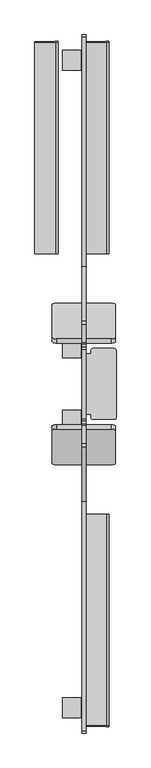
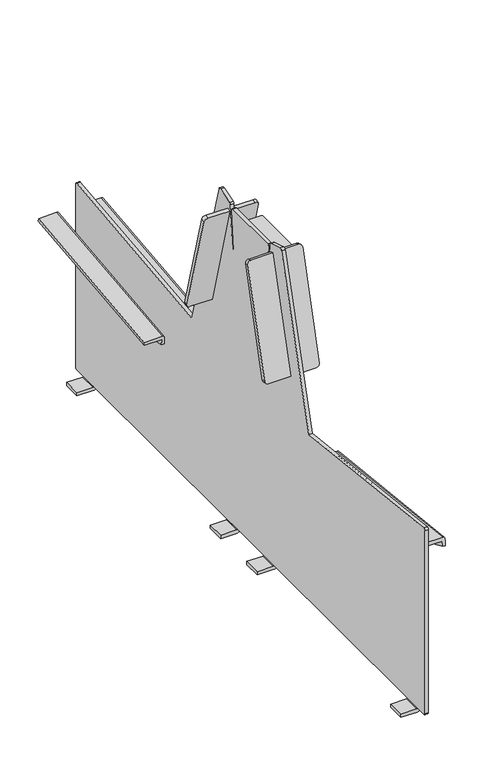
"""IFC4 building model written with IfcOpenShell, lengths in millimetres: furniture geometry."""

from ifc_helpers import new_model, si_unit, frame, origin, place, context, project, spatial, polyline, circle_curve, source, transform, mapped, element, save
from ifc_brep_helpers import plane_surface, cylinder_surface, revolved_surface, advanced_brep


def furniture_e859d871(model_context):
    return source(origin(), model_context, "Body", "AdvancedBrep", [
        advanced_brep(
        [(867.597952, -333.3438949, 454.8824491), (867.597952, -333.3438949, 13.9003186), (867.597952, -329.4374846, 9.9939083), (867.597952, -303.3438949, 9.9939083), (867.597952, -303.3438949, 8.2703475), (867.597952, -263.3438949, 8.2703475), (867.597952, -263.3438949, 9.9939083), (867.597952, 263.3438949, 9.9939083), (867.597952, 263.3438949, 8.2703475), (867.597952, 303.3438949, 8.2703475), (867.597952, 303.3438949, 9.9939083), (867.597952, 407.6111261, 9.9939083), (867.597952, 407.6111261, 8.2703475), (867.597952, 447.6111261, 8.2703475), (867.597952, 447.6111261, 9.9939083), (867.597952, 974.2989159, 9.9939083), (867.597952, 974.2989159, 8.2703475), (867.597952, 1014.2989159, 8.2703475), (867.597952, 1014.2989159, 9.9939083), (867.597952, 1040.3925056, 9.9939083), (867.597952, 1044.2989159, 13.9003186), (867.597952, 1044.2989159, 454.8824491), (867.597952, 1039.4826807, 459.1940384), (867.597952, 586.9512474, 409.002818), (867.597952, 478.9250607, 786.3524949), (867.597952, 472.6246428, 789.7481242), (867.597952, 436.6081723, 778.4752692), (867.597952, 433.7983215, 774.9551128), (867.597952, 425.5976684, 672.4633825), (867.597952, 421.2778004, 672.4633825), (867.597952, 428.3475476, 765.7728245), (867.597952, 424.3833987, 770.0454777), (867.597952, 286.9551141, 769.9426196), (867.597952, 282.9975324, 765.6679227), (867.597952, 290.1186906, 672.4633825), (867.597952, 285.3573526, 672.4633825), (867.597952, 277.1566995, 774.9551128), (867.597952, 274.3468487, 778.4752692), (867.597952, 238.3303782, 789.7481242), (867.597952, 232.0299603, 786.3524949), (867.597952, 124.0037736, 409.002818), (867.597952, -328.5276597, 459.1940384), (867.597952, -319.7193007, 405.3521172), (867.597952, -318.9102447, 412.772865), (867.597952, 98.750138, 367.236938), (867.597952, 97.941082, 359.8161902), (867.597952, 1029.8652657, 412.772865), (867.597952, 1030.6743217, 405.3521172), (867.597952, 613.013939, 359.8161902), (867.597952, 612.2048831, 367.236938), (867.597952, 274.7465362, 758.1308279), (867.597952, 204.7655965, 503.57452), (867.597952, 196.4909723, 505.8493251), (867.597952, 266.471912, 760.4056329), (867.597952, 506.1894245, 503.57452), (867.597952, 436.2084848, 758.1308279), (867.597952, 444.483109, 760.4056329), (867.597952, 514.4640487, 505.8493251), (867.597952, 295.4775105, 730.7455365), (867.597952, 415.4775105, 730.7455365), (867.597952, 415.4775105, 720.7455365), (867.597952, 295.4775105, 720.7455365), (859.6028254, -333.3438949, 454.8824491), (859.6028254, -328.5276597, 459.1940384), (859.6028254, 124.0037736, 409.002818), (859.6028254, 232.0299603, 786.3524949), (859.6028254, 238.3303782, 789.7481242), (859.6028254, 274.3468487, 778.4752692), (859.6028254, 277.1566995, 774.9551128), (859.6028254, 285.3573526, 672.4633825), (859.6028254, 290.1186906, 672.4633825), (859.6028254, 282.9975324, 765.6679227), (859.6028254, 286.9551141, 769.9426196), (859.6028254, 424.3833987, 770.0454777), (859.6028254, 428.3475476, 765.7728245), (859.6028254, 421.2778004, 672.4633825), (859.6028254, 425.5976684, 672.4633825), (859.6028254, 433.7983215, 774.9551128), (859.6028254, 436.6081723, 778.4752692), (859.6028254, 472.6246428, 789.7481242), (859.6028254, 478.9250607, 786.3524949), (859.6028254, 586.9512474, 409.002818), (859.6028254, 1039.4826807, 459.1940384), (859.6028254, 1044.2989159, 454.8824491), (859.6028254, 1044.2989159, 13.9003186), (859.6028254, 1040.3925056, 9.9939083), (859.6028254, 1014.2989159, 9.9939083), (859.6028254, 974.2989159, 9.9939083), (859.6028254, 447.6111261, 9.9939083), (859.6028254, 407.6111261, 9.9939083), (859.6028254, 303.3438949, 9.9939083), (859.6028254, 263.3438949, 9.9939083), (859.6028254, -263.3438949, 9.9939083), (859.6028254, -303.3438949, 9.9939083), (859.6028254, -329.4374846, 9.9939083), (859.6028254, -333.3438949, 13.9003186), (859.6028254, 204.7656711, 503.5744995), (859.6028254, 274.7466108, 758.1308073), (859.6028254, 266.471912, 760.4056329), (859.6028254, 196.491047, 505.8493045), (859.6028254, 436.2084102, 758.1308073), (859.6028254, 506.1893499, 503.5744995), (859.6028254, 514.4640204, 505.8494279), (859.6028254, 444.4830343, 760.4056124), (906.6365161, -319.7193007, 405.3521172), (907.5875968, -319.8223825, 404.4066392), (907.5875968, -321.0984876, 392.7020678), (913.5831908, -321.0984876, 392.7020678), (913.5831908, -319.8564605, 404.0940726), (913.5831908, -319.3437805, 408.7964286), (909.5831908, -318.9102447, 412.772865), (909.5831908, 98.750138, 367.236938), (913.5831908, 98.3166022, 363.2605016), (913.5831908, 97.8039221, 358.5581456), (913.5831908, 96.5595156, 347.1443157), (907.5875968, 96.5595156, 347.1443157), (907.5875968, 97.8380001, 358.8707122), (906.6365161, 97.941082, 359.8161902), (909.5831908, 1029.8652657, 412.772865), (913.5831908, 1030.2988015, 408.7964286), (913.5831908, 1030.8114815, 404.0940726), (913.5831908, 1032.0535086, 392.7020678), (907.5875968, 1032.0535086, 392.7020678), (907.5875968, 1030.7774035, 404.4066392), (906.6365161, 1030.6743217, 405.3521172), (906.6365161, 613.013939, 359.8161902), (907.5875968, 613.1170209, 358.8707122), (907.5875968, 614.3955054, 347.1443157), (913.5831908, 614.3955054, 347.1443157), (913.5831908, 613.1510989, 358.5581456), (913.5831908, 612.6384188, 363.2605016), (909.5831908, 612.2048831, 367.236938), (858.6003844, 1014.2989159, 8.0), (859.6350395, 1014.2989159, 9.0714168), (859.6603529, 1014.2989159, 0.0), (821.9566967, 1014.2989159, 0.0), (821.9566967, 1014.2989159, 8.0), (858.6003844, 974.2989159, 8.0), (821.9566967, 974.2989159, 8.0), (821.9566967, 974.2989159, 0.0), (859.6603529, 974.2989159, 0.0), (859.6350395, 974.2989159, 9.0714168), (858.6003844, 407.6111261, 8.0), (821.9566967, 407.6111261, 8.0), (821.9566967, 407.6111261, 0.0), (859.6603529, 407.6111261, 0.0), (859.6350395, 407.6111261, 9.0714168), (858.6003844, 447.6111261, 8.0), (859.6350395, 447.6111261, 9.0714168), (859.6603529, 447.6111261, 0.0), (821.9566967, 447.6111261, 0.0), (821.9566967, 447.6111261, 8.0), (858.6003844, 303.3438949, 8.0), (859.6350395, 303.3438949, 9.0714168), (859.6603529, 303.3438949, 0.0), (821.9566967, 303.3438949, 0.0), (821.9566967, 303.3438949, 8.0), (858.6003844, 263.3438949, 8.0), (821.9566967, 263.3438949, 8.0), (821.9566967, 263.3438949, 0.0), (859.6603529, 263.3438949, 0.0), (859.6350395, 263.3438949, 9.0714168), (858.6003844, -303.3438949, 8.0), (821.9566967, -303.3438949, 8.0), (821.9566967, -303.3438949, 0.0), (859.6603529, -303.3438949, 0.0), (859.6350395, -303.3438949, 9.0714168), (858.6003844, -263.3438949, 8.0), (859.6350395, -263.3438949, 9.0714168), (859.6603529, -263.3438949, 0.0), (821.9566967, -263.3438949, 0.0), (821.9566967, -263.3438949, 8.0), (917.9539457, 274.6803491, 758.1490236), (925.9539382, 272.5492033, 750.4381004), (925.9539382, 206.4783878, 510.1049054), (918.0226676, 204.6742237, 503.5014558), (918.0109696, 196.3996149, 505.7762566), (925.9422403, 198.2037791, 512.3797062), (925.9422403, 264.2745945, 752.7129012), (917.9422477, 266.4057403, 760.4238244), (918.0226676, 506.2807973, 503.5014558), (925.9539382, 504.4766332, 510.1049054), (925.9539382, 438.4058177, 750.4381004), (917.9539457, 436.2746719, 758.1490236), (917.9422477, 444.5492807, 760.4238244), (925.9422403, 446.6804265, 752.7129012), (925.9422403, 512.7512419, 512.3797062), (918.0109696, 514.5554061, 505.7762566), (927.5685154, 421.4776321, 730.7455365), (923.5685154, 425.4776321, 730.7455365), (881.5685154, 425.4776321, 730.7455365), (877.5685154, 421.4776321, 730.7455365), (877.5685154, 415.4775105, 730.7455365), (877.5685154, 295.4775105, 730.7455365), (877.5685154, 289.4776321, 730.7455365), (881.5685154, 285.4776321, 730.7455365), (923.5685154, 285.4776321, 730.7455365), (927.5685154, 289.4776321, 730.7455365), (927.5685154, 421.4776321, 720.7455365), (927.5685154, 289.4776321, 720.7455365), (923.5685154, 285.4776321, 720.7455365), (881.5685154, 285.4776321, 720.7455365), (877.5685154, 289.4776321, 720.7455365), (877.5685154, 295.4775105, 720.7455365), (877.5685154, 415.4775105, 720.7455365), (877.5685154, 421.4776321, 720.7455365), (881.5685154, 425.4776321, 720.7455365), (923.5685154, 425.4776321, 720.7455365), (809.1212977, 204.6742237, 503.5014558), (801.190027, 206.4783878, 510.1049054), (801.190027, 272.5492033, 750.4381004), (809.1900196, 274.6803491, 758.1490236), (809.2017175, 266.4057403, 760.4238244), (801.201725, 264.2745945, 752.7129012), (801.201725, 198.2037791, 512.3797062), (809.1329957, 196.3996149, 505.7762566), (809.1900196, 436.2746719, 758.1490236), (801.190027, 438.4058177, 750.4381004), (801.190027, 504.4766332, 510.1049054), (809.1212977, 506.2807973, 503.5014558), (809.1329957, 514.5554061, 505.7762566), (801.201725, 512.7512419, 512.3797062), (801.201725, 446.6804265, 752.7129012), (809.2017175, 444.5492807, 760.4238244)],
        [
            (0, 1),
            (1, 2, circle_curve(frame((867.597952, -329.4374846, 13.9003186), z_axis=(1.0, 0.0, 0.0), x_axis=(0.0, 1.0, 0.0)), 3.9064104)),
            (2, 3),
            (3, 4),
            (4, 5),
            (5, 6),
            (6, 7),
            (7, 8),
            (8, 9),
            (9, 10),
            (10, 11),
            (11, 12),
            (12, 13),
            (13, 14),
            (14, 15),
            (15, 16),
            (16, 17),
            (17, 18),
            (18, 19),
            (19, 20, circle_curve(frame((867.597952, 1040.3925056, 13.9003186), z_axis=(1.0, 0.0, 0.0), x_axis=(0.0, -1.0, 0.0)), 3.9064104)),
            (20, 21),
            (21, 22, circle_curve(frame((867.597952, 1039.9608882, 454.8824491), z_axis=(1.0, 0.0, 0.0), x_axis=(0.0, -1.0, 0.0)), 4.3380277)),
            (22, 23),
            (23, 24),
            (24, 25, circle_curve(frame((867.597952, 474.118155, 784.9763928), z_axis=(1.0, 0.0, 0.0), x_axis=(0.0, -1.0, 0.0)), 5.0)),
            (25, 26),
            (26, 27, circle_curve(frame((867.597952, 437.8104285, 774.6340928), z_axis=(1.0, 0.0, 0.0), x_axis=(0.0, -1.0, 0.0)), 4.0249293)),
            (27, 28),
            (28, 29),
            (29, 30),
            (30, 31, circle_curve(frame((867.597952, 424.3863719, 766.0729497), z_axis=(1.0, 0.0, 0.0), x_axis=(0.0, -1.0, 0.0)), 3.9725291)),
            (31, 32),
            (32, 33, circle_curve(frame((867.597952, 286.958087, 765.9705231), z_axis=(1.0, 0.0, 0.0), x_axis=(0.0, -1.0, 0.0)), 3.9720976)),
            (33, 34),
            (34, 35),
            (35, 36),
            (36, 37, circle_curve(frame((867.597952, 273.1445925, 774.6340928), z_axis=(1.0, 0.0, 0.0), x_axis=(0.0, 1.0, 0.0)), 4.0249293)),
            (37, 38),
            (38, 39, circle_curve(frame((867.597952, 236.836866, 784.9763928), z_axis=(1.0, 0.0, 0.0), x_axis=(0.0, 1.0, 0.0)), 5.0)),
            (39, 40),
            (40, 41),
            (41, 0, circle_curve(frame((867.597952, -329.0058672, 454.8824491), z_axis=(1.0, 0.0, 0.0), x_axis=(0.0, 1.0, 0.0)), 4.3380277)),
            (42, 43),
            (43, 44),
            (44, 45),
            (45, 42),
            (46, 47),
            (47, 48),
            (48, 49),
            (49, 46),
            (50, 51),
            (51, 52),
            (52, 53),
            (53, 50),
            (54, 55),
            (55, 56),
            (56, 57),
            (57, 54),
            (58, 59),
            (59, 60),
            (60, 61),
            (61, 58),
            (62, 63, circle_curve(frame((859.6028254, -329.0058672, 454.8824491), z_axis=(-1.0, 0.0, 0.0), x_axis=(0.0, 1.0, 0.0)), 4.3380277)),
            (63, 64),
            (64, 65),
            (65, 66, circle_curve(frame((859.6028254, 236.836866, 784.9763928), z_axis=(-1.0, 0.0, 0.0), x_axis=(0.0, 1.0, 0.0)), 5.0)),
            (66, 67),
            (67, 68, circle_curve(frame((859.6028254, 273.1445925, 774.6340928), z_axis=(-1.0, 0.0, 0.0), x_axis=(0.0, 1.0, 0.0)), 4.0249293)),
            (68, 69),
            (69, 70),
            (70, 71),
            (71, 72, circle_curve(frame((859.6028254, 286.958087, 765.9705231), z_axis=(-1.0, 0.0, 0.0), x_axis=(0.0, -1.0, 0.0)), 3.9720976)),
            (72, 73),
            (73, 74, circle_curve(frame((859.6028254, 424.3863719, 766.0729497), z_axis=(-1.0, 0.0, 0.0), x_axis=(0.0, -1.0, 0.0)), 3.9725291)),
            (74, 75),
            (75, 76),
            (76, 77),
            (77, 78, circle_curve(frame((859.6028254, 437.8104285, 774.6340928), z_axis=(-1.0, 0.0, 0.0), x_axis=(0.0, -1.0, 0.0)), 4.0249293)),
            (78, 79),
            (79, 80, circle_curve(frame((859.6028254, 474.118155, 784.9763928), z_axis=(-1.0, 0.0, 0.0), x_axis=(0.0, -1.0, 0.0)), 5.0)),
            (80, 81),
            (81, 82),
            (82, 83, circle_curve(frame((859.6028254, 1039.9608882, 454.8824491), z_axis=(-1.0, 0.0, 0.0), x_axis=(0.0, -1.0, 0.0)), 4.3380277)),
            (83, 84),
            (84, 85, circle_curve(frame((859.6028254, 1040.3925056, 13.9003186), z_axis=(-1.0, 0.0, 0.0), x_axis=(0.0, -1.0, 0.0)), 3.9064104)),
            (85, 86),
            (86, 87),
            (87, 88),
            (88, 89),
            (89, 90),
            (90, 91),
            (91, 92),
            (92, 93),
            (93, 94),
            (94, 95, circle_curve(frame((859.6028254, -329.4374846, 13.9003186), z_axis=(-1.0, 0.0, 0.0), x_axis=(0.0, 1.0, 0.0)), 3.9064104)),
            (95, 62),
            (96, 97),
            (97, 98),
            (98, 99),
            (99, 96),
            (100, 101),
            (101, 102),
            (102, 103),
            (103, 100),
            (0, 62),
            (95, 1),
            (94, 2),
            (93, 3),
            (85, 19),
            (18, 86),
            (87, 15),
            (14, 88),
            (89, 11),
            (10, 90),
            (91, 7),
            (6, 92),
            (68, 36),
            (35, 69),
            (67, 37),
            (66, 38),
            (65, 39),
            (64, 40),
            (63, 41),
            (34, 70),
            (28, 76),
            (75, 29),
            (20, 84),
            (83, 21),
            (27, 77),
            (26, 78),
            (25, 79),
            (24, 80),
            (23, 81),
            (22, 82),
            (74, 30),
            (73, 31),
            (72, 32),
            (71, 33),
            (42, 104),
            (104, 105, circle_curve(frame((906.6365161, -319.8223825, 404.4066392), z_axis=(0.0, 0.9941091089617909, -0.10838394474826071), x_axis=(0.0, -0.10838394474826071, -0.9941091089617909)), 0.9510807)),
            (105, 106),
            (106, 107),
            (107, 108),
            (108, 109),
            (109, 110, circle_curve(frame((909.5831908, -319.3437805, 408.7964286), z_axis=(0.0, -0.9941091089617909, 0.10838394474826071), x_axis=(0.0, -0.10838394474826071, -0.9941091089617909)), 4.0)),
            (110, 43),
            (44, 111),
            (111, 112, circle_curve(frame((909.5831908, 98.3166022, 363.2605016), z_axis=(0.0, 0.9941091089617909, -0.10838394474826071), x_axis=(0.0, -0.10838394474826071, -0.9941091089617909)), 4.0)),
            (112, 113),
            (113, 114),
            (114, 115),
            (115, 116),
            (116, 117, circle_curve(frame((906.6365161, 97.8380001, 358.8707122), z_axis=(0.0, -0.9941091089617909, 0.10838394474826071), x_axis=(0.0, -0.10838394474826071, -0.9941091089617909)), 0.9510807)),
            (117, 45),
            (117, 104),
            (116, 105),
            (115, 106, circle_curve(frame((907.5875968, -59.7670647, 851.2475639), z_axis=(-1.0, 0.0, 0.0), x_axis=(0.0, -1.0, 0.0)), 527.7860216)),
            (113, 108),
            (107, 114, circle_curve(frame((913.5831908, -59.7670647, 851.2475639), z_axis=(1.0, 0.0, 0.0), x_axis=(0.0, -1.0, 0.0)), 527.7860216)),
            (112, 109),
            (111, 110),
            (46, 118),
            (118, 119, circle_curve(frame((909.5831908, 1030.2988015, 408.7964286), z_axis=(0.0, 0.9941091089617909, 0.10838394474826071), x_axis=(0.0, 0.10838394474826071, -0.9941091089617909)), 4.0)),
            (119, 120),
            (120, 121),
            (121, 122),
            (122, 123),
            (123, 124, circle_curve(frame((906.6365161, 1030.7774035, 404.4066392), z_axis=(0.0, -0.9941091089617909, -0.10838394474826071), x_axis=(0.0, 0.10838394474826071, -0.9941091089617909)), 0.9510807)),
            (124, 47),
            (48, 125),
            (125, 126, circle_curve(frame((906.6365161, 613.1170209, 358.8707122), z_axis=(0.0, 0.9941091089617909, 0.10838394474826071), x_axis=(0.0, 0.10838394474826071, -0.9941091089617909)), 0.9510807)),
            (126, 127),
            (127, 128),
            (128, 129),
            (129, 130),
            (130, 131, circle_curve(frame((909.5831908, 612.6384188, 363.2605016), z_axis=(0.0, -0.9941091089617909, -0.10838394474826071), x_axis=(0.0, 0.10838394474826071, -0.9941091089617909)), 4.0)),
            (131, 49),
            (124, 125),
            (123, 126),
            (122, 127, circle_curve(frame((907.5875968, 770.7220857, 851.2475639), z_axis=(-1.0, 0.0, 0.0), x_axis=(0.0, 1.0, 0.0)), 527.7860216)),
            (120, 129),
            (128, 121, circle_curve(frame((913.5831908, 770.7220857, 851.2475639), z_axis=(1.0, 0.0, 0.0), x_axis=(0.0, 1.0, 0.0)), 527.7860216)),
            (119, 130),
            (118, 131),
            (132, 133, circle_curve(frame((858.6003844, 1014.2989159, 9.0352858), z_axis=(0.0, -1.0, 0.0), x_axis=(-1.0, 0.0, 0.0)), 1.0352858)),
            (133, 86),
            (17, 134, circle_curve(frame((859.32063, 1014.2989159, 8.2703475), z_axis=(0.0, 1.0, 0.0), x_axis=(-1.0, 0.0, 0.0)), 8.277322)),
            (134, 135),
            (135, 136),
            (136, 132),
            (137, 138),
            (138, 139),
            (139, 140),
            (140, 16, circle_curve(frame((859.32063, 974.2989159, 8.2703475), z_axis=(0.0, -1.0, 0.0), x_axis=(-1.0, 0.0, 0.0)), 8.277322)),
            (87, 141),
            (141, 137, circle_curve(frame((858.6003844, 974.2989159, 9.0352858), z_axis=(0.0, 1.0, 0.0), x_axis=(-1.0, 0.0, 0.0)), 1.0352858)),
            (132, 137),
            (141, 133),
            (134, 140),
            (139, 135),
            (138, 136),
            (142, 143),
            (143, 144),
            (144, 145),
            (145, 12, circle_curve(frame((859.32063, 407.6111261, 8.2703475), z_axis=(0.0, -1.0, 0.0), x_axis=(-1.0, 0.0, 0.0)), 8.277322)),
            (89, 146),
            (146, 142, circle_curve(frame((858.6003844, 407.6111261, 9.0352858), z_axis=(0.0, 1.0, 0.0), x_axis=(-1.0, 0.0, 0.0)), 1.0352858)),
            (147, 148, circle_curve(frame((858.6003844, 447.6111261, 9.0352858), z_axis=(0.0, -1.0, 0.0), x_axis=(-1.0, 0.0, 0.0)), 1.0352858)),
            (148, 88),
            (13, 149, circle_curve(frame((859.32063, 447.6111261, 8.2703475), z_axis=(0.0, 1.0, 0.0), x_axis=(-1.0, 0.0, 0.0)), 8.277322)),
            (149, 150),
            (150, 151),
            (151, 147),
            (146, 148),
            (147, 142),
            (144, 150),
            (149, 145),
            (143, 151),
            (152, 153, circle_curve(frame((858.6003844, 303.3438949, 9.0352858), z_axis=(0.0, -1.0, 0.0), x_axis=(-1.0, 0.0, 0.0)), 1.0352858)),
            (153, 90),
            (9, 154, circle_curve(frame((859.32063, 303.3438949, 8.2703475), z_axis=(0.0, 1.0, 0.0), x_axis=(-1.0, 0.0, 0.0)), 8.277322)),
            (154, 155),
            (155, 156),
            (156, 152),
            (157, 158),
            (158, 159),
            (159, 160),
            (160, 8, circle_curve(frame((859.32063, 263.3438949, 8.2703475), z_axis=(0.0, -1.0, 0.0), x_axis=(-1.0, 0.0, 0.0)), 8.277322)),
            (91, 161),
            (161, 157, circle_curve(frame((858.6003844, 263.3438949, 9.0352858), z_axis=(0.0, 1.0, 0.0), x_axis=(-1.0, 0.0, 0.0)), 1.0352858)),
            (152, 157),
            (161, 153),
            (154, 160),
            (159, 155),
            (158, 156),
            (162, 163),
            (163, 164),
            (164, 165),
            (165, 4, circle_curve(frame((859.32063, -303.3438949, 8.2703475), z_axis=(0.0, -1.0, 0.0), x_axis=(-1.0, 0.0, 0.0)), 8.277322)),
            (93, 166),
            (166, 162, circle_curve(frame((858.6003844, -303.3438949, 9.0352858), z_axis=(0.0, 1.0, 0.0), x_axis=(-1.0, 0.0, 0.0)), 1.0352858)),
            (167, 168, circle_curve(frame((858.6003844, -263.3438949, 9.0352858), z_axis=(0.0, -1.0, 0.0), x_axis=(-1.0, 0.0, 0.0)), 1.0352858)),
            (168, 92),
            (5, 169, circle_curve(frame((859.32063, -263.3438949, 8.2703475), z_axis=(0.0, 1.0, 0.0), x_axis=(-1.0, 0.0, 0.0)), 8.277322)),
            (169, 170),
            (170, 171),
            (171, 167),
            (166, 168),
            (167, 162),
            (164, 170),
            (169, 165),
            (163, 171),
            (50, 172),
            (172, 173, circle_curve(frame((917.9539457, 272.5597183, 750.4352097), z_axis=(0.0013631459484884346, 0.9642258427672697, -0.2650786033856215), x_axis=(-0.9999990709161299, 0.001314381772166968, -0.0003613411599522734)), 8.0)),
            (173, 174),
            (174, 175, circle_curve(frame((918.0376908, 206.794831, 511.2152616), z_axis=(0.0013631459484884437, 0.9642258427672697, -0.2650786033856214), x_axis=(0.1443145567522505, 0.26211427827888556, 0.9541852093968657)), 8.0)),
            (175, 51),
            (52, 176),
            (176, 177, circle_curve(frame((918.0259929, 198.5202222, 513.4900624), z_axis=(-0.0013631459484884437, -0.9642258427672697, 0.2650786033856214), x_axis=(0.1443145567522505, 0.26211427827888556, 0.9541852093968657)), 8.0)),
            (177, 178),
            (178, 179, circle_curve(frame((917.9422477, 264.2851095, 752.7100105), z_axis=(-0.0013631459484884346, -0.9642258427672697, 0.2650786033856215), x_axis=(-0.9999990709161299, 0.001314381772166968, -0.0003613411599522734)), 8.0)),
            (179, 53),
            (174, 177),
            (176, 175),
            (173, 178),
            (172, 179),
            (54, 180),
            (180, 181, circle_curve(frame((918.0376908, 504.16019, 511.2152616), z_axis=(0.0013631459484884437, -0.9642258427672697, -0.2650786033856214), x_axis=(0.1443145567522505, -0.26211427827888556, 0.9541852093968657)), 8.0)),
            (181, 182),
            (182, 183, circle_curve(frame((917.9539457, 438.3953027, 750.4352097), z_axis=(0.0013631459484884346, -0.9642258427672697, -0.2650786033856215), x_axis=(-0.9999990709161299, -0.001314381772166968, -0.0003613411599522734)), 8.0)),
            (183, 55),
            (56, 184),
            (184, 185, circle_curve(frame((917.9422477, 446.6699115, 752.7100105), z_axis=(-0.0013631459484884346, 0.9642258427672697, 0.2650786033856215), x_axis=(-0.9999990709161299, -0.001314381772166968, -0.0003613411599522734)), 8.0)),
            (185, 186),
            (186, 187, circle_curve(frame((918.0259929, 512.4347988, 513.4900624), z_axis=(-0.0013631459484884437, 0.9642258427672697, 0.2650786033856214), x_axis=(0.1443145567522505, -0.26211427827888556, 0.9541852093968657)), 8.0)),
            (187, 57),
            (180, 187),
            (186, 181),
            (185, 182),
            (184, 183),
            (188, 189, circle_curve(frame((923.5685154, 421.4776321, 730.7455365), z_axis=(0.0, 0.0, 1.0), x_axis=(1.0, 0.0, 0.0)), 4.0)),
            (189, 190),
            (190, 191, circle_curve(frame((881.5685154, 421.4776321, 730.7455365), z_axis=(0.0, 0.0, 1.0), x_axis=(1.0, 0.0, 0.0)), 4.0)),
            (191, 192),
            (192, 59),
            (58, 193),
            (193, 194),
            (194, 195, circle_curve(frame((881.5685154, 289.4776321, 730.7455365), z_axis=(0.0, 0.0, 1.0), x_axis=(1.0, 0.0, 0.0)), 4.0)),
            (195, 196),
            (196, 197, circle_curve(frame((923.5685154, 289.4776321, 730.7455365), z_axis=(0.0, 0.0, 1.0), x_axis=(1.0, 0.0, 0.0)), 4.0)),
            (197, 188),
            (198, 199),
            (199, 200, circle_curve(frame((923.5685154, 289.4776321, 720.7455365), z_axis=(0.0, 0.0, -1.0), x_axis=(1.0, 0.0, 0.0)), 4.0)),
            (200, 201),
            (201, 202, circle_curve(frame((881.5685154, 289.4776321, 720.7455365), z_axis=(0.0, 0.0, -1.0), x_axis=(1.0, 0.0, 0.0)), 4.0)),
            (202, 203),
            (203, 61),
            (60, 204),
            (204, 205),
            (205, 206, circle_curve(frame((881.5685154, 421.4776321, 720.7455365), z_axis=(0.0, 0.0, -1.0), x_axis=(1.0, 0.0, 0.0)), 4.0)),
            (206, 207),
            (207, 198, circle_curve(frame((923.5685154, 421.4776321, 720.7455365), z_axis=(0.0, 0.0, -1.0), x_axis=(1.0, 0.0, 0.0)), 4.0)),
            (188, 198),
            (207, 189),
            (206, 190),
            (205, 191),
            (204, 192),
            (203, 193),
            (202, 194),
            (201, 195),
            (200, 196),
            (199, 197),
            (96, 208),
            (208, 209, circle_curve(frame((809.1062744, 206.794831, 511.2152616), z_axis=(-0.0013631459484884367, 0.9642258427672697, -0.26507860338562145), x_axis=(-0.14431455675225052, 0.2621142782788856, 0.9541852093968657)), 8.0)),
            (209, 210),
            (210, 211, circle_curve(frame((809.1900196, 272.5597183, 750.4352097), z_axis=(-0.0013631459484884296, 0.9642258427672696, -0.2650786033856215), x_axis=(0.9999990709161299, 0.0013143817721669488, -0.0003613411599523246)), 8.0)),
            (211, 97),
            (98, 212),
            (212, 213, circle_curve(frame((809.2017175, 264.2851095, 752.7100105), z_axis=(0.0013631459484884296, -0.9642258427672696, 0.2650786033856215), x_axis=(0.9999990709161299, 0.0013143817721669488, -0.0003613411599523246)), 8.0)),
            (213, 214),
            (214, 215, circle_curve(frame((809.1179724, 198.5202222, 513.4900624), z_axis=(0.0013631459484884367, -0.9642258427672697, 0.26507860338562145), x_axis=(-0.14431455675225052, 0.2621142782788856, 0.9541852093968657)), 8.0)),
            (215, 99),
            (208, 215),
            (214, 209),
            (213, 210),
            (212, 211),
            (100, 216),
            (216, 217, circle_curve(frame((809.1900196, 438.3953027, 750.4352097), z_axis=(-0.0013631459484884296, -0.9642258427672696, -0.2650786033856215), x_axis=(0.9999990709161299, -0.0013143817721669488, -0.0003613411599523246)), 8.0)),
            (217, 218),
            (218, 219, circle_curve(frame((809.1062744, 504.16019, 511.2152616), z_axis=(-0.0013631459484884367, -0.9642258427672697, -0.26507860338562145), x_axis=(-0.14431455675225052, -0.2621142782788856, 0.9541852093968657)), 8.0)),
            (219, 101),
            (102, 220),
            (220, 221, circle_curve(frame((809.1179724, 512.4347988, 513.4900624), z_axis=(0.0013631459484884367, 0.9642258427672697, 0.26507860338562145), x_axis=(-0.14431455675225052, -0.2621142782788856, 0.9541852093968657)), 8.0)),
            (221, 222),
            (222, 223, circle_curve(frame((809.2017175, 446.6699115, 752.7100105), z_axis=(0.0013631459484884296, 0.9642258427672696, 0.2650786033856215), x_axis=(0.9999990709161299, -0.0013143817721669488, -0.0003613411599523246)), 8.0)),
            (223, 103),
            (218, 221),
            (220, 219),
            (217, 222),
            (216, 223),
        ],
        [
            plane_surface(frame((867.597952, -333.3438949, 13.9914716), z_axis=(1.0, 0.0, 0.0), x_axis=(0.0, 0.0, -1.0))),
            plane_surface(frame((859.6028254, -333.3438949, 13.9914716), z_axis=(-1.0, 0.0, 0.0), x_axis=(0.0, 0.0, 1.0))),
            plane_surface(frame((867.597952, -333.3438949, 454.8824491), z_axis=(0.0, -1.0, 0.0), x_axis=(-1.0, 0.0, 0.0))),
            cylinder_surface(frame((859.6028254, -329.4374846, 13.9003186), z_axis=(1.0, 0.0, 0.0), x_axis=(0.0, 1.0, 0.0)), 3.9064104),
            plane_surface(frame((867.597952, -329.4374846, 9.9939083), z_axis=(0.0, 0.0, -1.0), x_axis=(-1.0, 0.0, 0.0))),
            plane_surface(frame((867.597952, 337.9730339, 14.8728063), z_axis=(0.0, 0.9968142620318139, 0.07975792756817575), x_axis=(-1.0, 0.0, 0.0))),
            cylinder_surface(frame((859.6028254, 273.1445925, 774.6340928), z_axis=(1.0, 0.0, 0.0), x_axis=(0.0, 1.0, 0.0)), 4.0249293),
            plane_surface(frame((867.597952, 274.3468487, 778.4752692), z_axis=(0.0, 0.2987024356250177, 0.9543462971855039), x_axis=(-1.0, 0.0, 0.0))),
            cylinder_surface(frame((859.6028254, 236.836866, 784.9763928), z_axis=(1.0, 0.0, 0.0), x_axis=(0.0, 1.0, 0.0)), 5.0),
            plane_surface(frame((867.597952, 232.0299603, 786.3524949), z_axis=(0.0, -0.9613811502291254, 0.275220427992044), x_axis=(-1.0, 0.0, 0.0))),
            plane_surface(frame((867.597952, 124.0037736, 409.002818), z_axis=(0.0, 0.1102361569197732, 0.9939054229188807), x_axis=(-1.0, 0.0, 0.0))),
            cylinder_surface(frame((859.6028254, -329.0058672, 454.8824491), z_axis=(1.0, 0.0, 0.0), x_axis=(0.0, 1.0, 0.0)), 4.3380277),
            plane_surface(frame((867.597952, 445.569695, 672.4633825), z_axis=(0.0, 0.0, 1.0), x_axis=(-1.0, 0.0, 0.0))),
            plane_surface(frame((867.597952, 1044.2989159, 13.9003186), z_axis=(0.0, 1.0, 0.0), x_axis=(-1.0, 0.0, 0.0))),
            cylinder_surface(frame((859.6028254, 1040.3925056, 13.9003186), z_axis=(1.0, 0.0, 0.0), x_axis=(0.0, -1.0, 0.0)), 3.9064104),
            plane_surface(frame((867.597952, 433.7983215, 774.9551128), z_axis=(0.0, -0.9968142620318139, 0.07975792756817576), x_axis=(-1.0, 0.0, 0.0))),
            cylinder_surface(frame((859.6028254, 437.8104285, 774.6340928), z_axis=(1.0, 0.0, 0.0), x_axis=(0.0, -1.0, 0.0)), 4.0249293),
            plane_surface(frame((867.597952, 472.6246428, 789.7481242), z_axis=(0.0, -0.2987024356250177, 0.9543462971855039), x_axis=(-1.0, 0.0, 0.0))),
            cylinder_surface(frame((859.6028254, 474.118155, 784.9763928), z_axis=(1.0, 0.0, 0.0), x_axis=(0.0, -1.0, 0.0)), 5.0),
            plane_surface(frame((867.597952, 586.9512474, 409.002818), z_axis=(0.0, 0.9613811502291253, 0.2752204279920443), x_axis=(-1.0, 0.0, 0.0))),
            plane_surface(frame((867.597952, 1039.4826807, 459.1940384), z_axis=(0.0, -0.1102361569197732, 0.9939054229188807), x_axis=(-1.0, 0.0, 0.0))),
            cylinder_surface(frame((859.6028254, 1039.9608882, 454.8824491), z_axis=(1.0, 0.0, 0.0), x_axis=(0.0, -1.0, 0.0)), 4.3380277),
            plane_surface(frame((859.6028254, 428.3475476, 765.7728245), z_axis=(0.0, 0.9971420037159096, -0.0755501451052288), x_axis=(1.0, 0.0, 0.0))),
            cylinder_surface(frame((867.597952, 424.3863719, 766.0729497), z_axis=(-1.0, 0.0, 0.0), x_axis=(0.0, -1.0, 0.0)), 3.9725291),
            plane_surface(frame((859.6028254, 286.9551141, 769.9426196), z_axis=(0.0, -0.0007484487791834683, 0.9999997199121733), x_axis=(1.0, 0.0, 0.0))),
            cylinder_surface(frame((867.597952, 286.958087, 765.9705231), z_axis=(-1.0, 0.0, 0.0), x_axis=(0.0, -1.0, 0.0)), 3.9720976),
            plane_surface(frame((859.6028254, 340.4296348, 13.9738082), z_axis=(0.0, -0.9970939652359041, -0.07618152328578025), x_axis=(1.0, 0.0, 0.0))),
            plane_surface(frame((867.597952, -319.8423819, 404.223203), z_axis=(0.0, -0.9941091089617909, 0.10838394474826071), x_axis=(0.0, -0.10838394474826071, -0.9941091089617909))),
            plane_surface(frame((867.597952, 97.8180007, 358.6872759), z_axis=(0.0, 0.9941091089617909, -0.10838394474826071), x_axis=(0.0, 0.10838394474826071, 0.9941091089617909))),
            plane_surface(frame((867.597952, -319.7193007, 405.3521172), z_axis=(0.0, -0.10838394474826069, -0.994109108961791), x_axis=(0.0, 0.994109108961791, -0.10838394474826069))),
            revolved_surface(polyline([(906.6365161, 97.73491824228601, 357.9252342105562), (906.6365161, -319.92546445485533, 403.46116123677587)]), (906.6365161, 97.8380001, 358.8707122), (0.0, 0.9941091089617909, -0.10838394474826071)),
            plane_surface(frame((907.5875968, -319.8223825, 404.4066392), z_axis=(-1.0000000000000002, 0.0, 0.0), x_axis=(0.0, 0.994109108961791, -0.10838394474826064))),
            plane_surface(frame((913.5831908, -320.2027771, 400.9176199), z_axis=(1.0000000000000002, 0.0, 0.0), x_axis=(0.0, 0.994109108961791, -0.10838394474826066))),
            plane_surface(frame((913.5831908, -319.8564605, 404.0940726), z_axis=(1.0000000000000002, 0.0, 0.0), x_axis=(0.0, 0.994109108961791, -0.10838394474826066))),
            cylinder_surface(frame((909.5831908, 98.3166022, 363.2605016), z_axis=(0.0, -0.9941091089617909, 0.10838394474826071), x_axis=(0.0, -0.10838394474826071, -0.9941091089617909)), 4.0),
            plane_surface(frame((909.5831908, -318.9102447, 412.772865), z_axis=(0.0, 0.10838394474826066, 0.994109108961791), x_axis=(0.0, 0.994109108961791, -0.10838394474826066))),
            cylinder_surface(frame((907.5875968, -59.7670647, 851.2475639), z_axis=(1.0, 0.0, 0.0), x_axis=(0.0, -1.0, 0.0)), 527.7860216),
            plane_surface(frame((913.5831908, 1029.8652657, 412.772865), z_axis=(0.0, 0.9941091089617909, 0.10838394474826071), x_axis=(1.0, 0.0, 0.0))),
            plane_surface(frame((913.5831908, 612.2048831, 367.236938), z_axis=(0.0, -0.9941091089617909, -0.10838394474826071), x_axis=(-1.0, 0.0, 0.0))),
            plane_surface(frame((906.6365161, 1030.6743217, 405.3521172), z_axis=(0.0, 0.10838394474826069, -0.994109108961791), x_axis=(0.0, -0.994109108961791, -0.10838394474826069))),
            revolved_surface(polyline([(906.6365161, 613.220102757714, 357.9252342105562), (906.6365161, 1030.8804854548553, 403.46116123677587)]), (906.6365161, 613.1170209, 358.8707122), (0.0, -0.9941091089617909, -0.10838394474826071)),
            plane_surface(frame((907.5875968, 1031.1577981, 400.9176199), z_axis=(-1.0000000000000002, 0.0, 0.0), x_axis=(0.0, -0.994109108961791, -0.10838394474826069))),
            plane_surface(frame((913.5831908, 1030.8114815, 404.0940726), z_axis=(1.0000000000000002, 0.0, 0.0), x_axis=(0.0, -0.994109108961791, -0.10838394474826069))),
            plane_surface(frame((913.5831908, 1030.2988015, 408.7964286), z_axis=(1.0000000000000002, 0.0, 0.0), x_axis=(0.0, -0.994109108961791, -0.10838394474826069))),
            cylinder_surface(frame((909.5831908, 612.6384188, 363.2605016), z_axis=(0.0, 0.9941091089617909, 0.10838394474826071), x_axis=(0.0, 0.10838394474826071, -0.9941091089617909)), 4.0),
            plane_surface(frame((867.597952, 1029.8652657, 412.772865), z_axis=(0.0, -0.10838394474826069, 0.994109108961791), x_axis=(0.0, -0.994109108961791, -0.10838394474826069))),
            cylinder_surface(frame((907.5875968, 770.7220857, 851.2475639), z_axis=(1.0, 0.0, 0.0), x_axis=(0.0, 1.0, 0.0)), 527.7860216),
            plane_surface(frame((857.5650985, 1014.2989159, 9.0352858), z_axis=(0.0, 1.0, 0.0), x_axis=(0.0, 0.0, -1.0))),
            plane_surface(frame((857.5650985, 974.2989159, 9.0352858), z_axis=(0.0, -1.0, 0.0), x_axis=(0.0, 0.0, 1.0))),
            revolved_surface(polyline([(857.5650986, 974.2989159, 9.0352858), (857.5650986, 1014.2989159, 9.0352858)]), (858.6003844, 974.2989159, 9.0352858), (0.0, -1.0, 0.0)),
            plane_surface(frame((859.6350395, 1014.2989159, 9.0714168), z_axis=(-0.9993908270190954, 0.0, -0.03489949670251134), x_axis=(0.0, -1.0, 0.0))),
            plane_surface(frame((859.6603529, 1014.2989159, 0.0), z_axis=(0.0, 0.0, -1.0), x_axis=(0.0, -1.0, 0.0))),
            plane_surface(frame((821.9566967, 1014.2989159, 0.0), z_axis=(-1.0, 0.0, 0.0), x_axis=(0.0, -1.0, 0.0))),
            plane_surface(frame((821.9566967, 1014.2989159, 8.0), z_axis=(0.0, 0.0, 1.0), x_axis=(0.0, -1.0, 0.0))),
            cylinder_surface(frame((859.32063, 974.2989159, 8.2703475), z_axis=(0.0, 1.0, 0.0), x_axis=(-1.0, 0.0, 0.0)), 8.277322),
            plane_surface(frame((821.9566967, 407.6111261, 8.0), z_axis=(0.0, -1.0, 0.0), x_axis=(-1.0, 0.0, 0.0))),
            plane_surface(frame((821.9566967, 447.6111261, 8.0), z_axis=(0.0, 1.0, 0.0), x_axis=(1.0, 0.0, 0.0))),
            revolved_surface(polyline([(857.5650986, 447.6111261, 9.0352858), (857.5650986, 407.6111261, 9.0352858)]), (858.6003844, 447.6111261, 9.0352858), (0.0, 1.0, 0.0)),
            plane_surface(frame((859.6028254, 407.6111261, 9.9939083), z_axis=(-0.9993908270190954, 0.0, -0.03489949670251134), x_axis=(0.0, 1.0, 0.0))),
            plane_surface(frame((821.9566967, 407.6111261, 0.0), z_axis=(0.0, 0.0, -1.0), x_axis=(0.0, 1.0, 0.0))),
            plane_surface(frame((821.9566967, 407.6111261, 8.0), z_axis=(-1.0, 0.0, 0.0), x_axis=(0.0, 1.0, 0.0))),
            plane_surface(frame((858.6003844, 407.6111261, 8.0), z_axis=(0.0, 0.0, 1.0), x_axis=(0.0, 1.0, 0.0))),
            cylinder_surface(frame((859.32063, 447.6111261, 8.2703475), z_axis=(0.0, -1.0, 0.0), x_axis=(-1.0, 0.0, 0.0)), 8.277322),
            plane_surface(frame((857.5650985, 303.3438949, 9.0352858), z_axis=(0.0, 1.0, 0.0), x_axis=(0.0, 0.0, -1.0))),
            plane_surface(frame((857.5650985, 263.3438949, 9.0352858), z_axis=(0.0, -1.0, 0.0), x_axis=(0.0, 0.0, 1.0))),
            revolved_surface(polyline([(857.5650986, 263.3438949, 9.0352858), (857.5650986, 303.3438949, 9.0352858)]), (858.6003844, 263.3438949, 9.0352858), (0.0, -1.0, 0.0)),
            plane_surface(frame((859.6350395, 303.3438949, 9.0714168), z_axis=(-0.9993908270190954, 0.0, -0.03489949670251134), x_axis=(0.0, -1.0, 0.0))),
            plane_surface(frame((859.6603529, 303.3438949, 0.0), z_axis=(0.0, 0.0, -1.0), x_axis=(0.0, -1.0, 0.0))),
            plane_surface(frame((821.9566967, 303.3438949, 0.0), z_axis=(-1.0, 0.0, 0.0), x_axis=(0.0, -1.0, 0.0))),
            plane_surface(frame((821.9566967, 303.3438949, 8.0), z_axis=(0.0, 0.0, 1.0), x_axis=(0.0, -1.0, 0.0))),
            cylinder_surface(frame((859.32063, 263.3438949, 8.2703475), z_axis=(0.0, 1.0, 0.0), x_axis=(-1.0, 0.0, 0.0)), 8.277322),
            plane_surface(frame((821.9566967, -303.3438949, 8.0), z_axis=(0.0, -1.0, 0.0), x_axis=(-1.0, 0.0, 0.0))),
            plane_surface(frame((821.9566967, -263.3438949, 8.0), z_axis=(0.0, 1.0, 0.0), x_axis=(1.0, 0.0, 0.0))),
            revolved_surface(polyline([(857.5650986, -263.3438949, 9.0352858), (857.5650986, -303.3438949, 9.0352858)]), (858.6003844, -263.3438949, 9.0352858), (0.0, 1.0, 0.0)),
            plane_surface(frame((859.6028254, -303.3438949, 9.9939083), z_axis=(-0.9993908270190954, 0.0, -0.03489949670251134), x_axis=(0.0, 1.0, 0.0))),
            plane_surface(frame((821.9566967, -303.3438949, 0.0), z_axis=(0.0, 0.0, -1.0), x_axis=(0.0, 1.0, 0.0))),
            plane_surface(frame((821.9566967, -303.3438949, 8.0), z_axis=(-1.0, 0.0, 0.0), x_axis=(0.0, 1.0, 0.0))),
            plane_surface(frame((858.6003844, -303.3438949, 8.0), z_axis=(0.0, 0.0, 1.0), x_axis=(0.0, 1.0, 0.0))),
            cylinder_surface(frame((859.32063, -263.3438949, 8.2703475), z_axis=(0.0, -1.0, 0.0), x_axis=(-1.0, 0.0, 0.0)), 8.277322),
            plane_surface(frame((867.60965, 204.7655811, 503.5745242), z_axis=(0.0013631459484884229, 0.9642258427672697, -0.2650786033856215), x_axis=(0.0, 0.265078849666105, 0.9642267386147796))),
            plane_surface(frame((867.597952, 196.4909723, 505.8493251), z_axis=(-0.0013631459484884229, -0.9642258427672697, 0.2650786033856215), x_axis=(0.0, -0.265078849666105, -0.9642267386147796))),
            cylinder_surface(frame((918.0259929, 198.5202222, 513.4900624), z_axis=(0.0013631459484884437, 0.9642258427672697, -0.2650786033856214), x_axis=(0.1443145567522505, 0.26211427827888556, 0.9541852093968657)), 8.0),
            plane_surface(frame((918.0226676, 204.6742237, 503.5014558), z_axis=(-0.0018779099002744297, -0.2650759139656611, -0.964225716982116), x_axis=(-0.001363145948494428, -0.9642258427672704, 0.2650786033856188))),
            plane_surface(frame((925.9539382, 272.5492033, 750.4381004), z_axis=(0.9999990709161299, -0.0013143817721731643, 0.000361341159952344), x_axis=(-0.001363145948494428, -0.9642258427672704, 0.2650786033856188))),
            cylinder_surface(frame((917.9422477, 264.2851095, 752.7100105), z_axis=(0.0013631459484884346, 0.9642258427672697, -0.2650786033856215), x_axis=(-0.9999990709161299, 0.001314381772166968, -0.0003613411599522734)), 8.0),
            plane_surface(frame((867.60965, 274.7465208, 758.1308321), z_axis=(0.0, 0.2650788496661023, 0.9642267386147803), x_axis=(-0.001363145948494428, -0.9642258427672704, 0.2650786033856188))),
            plane_surface(frame((918.0226676, 506.2807973, 503.5014558), z_axis=(0.0013631459484884155, -0.9642258427672697, -0.2650786033856215), x_axis=(0.9999973076401404, 0.001812174113181381, -0.0014493920980692997))),
            plane_surface(frame((918.0109696, 514.5554061, 505.7762566), z_axis=(-0.0013631459484884155, 0.9642258427672697, 0.2650786033856215), x_axis=(-0.9999973076401404, -0.001812174113181381, 0.0014493920980692997))),
            cylinder_surface(frame((918.0259929, 512.4347988, 513.4900624), z_axis=(0.0013631459484884437, -0.9642258427672697, -0.2650786033856214), x_axis=(0.1443145567522505, -0.26211427827888556, 0.9541852093968657)), 8.0),
            plane_surface(frame((867.60965, 506.1894399, 503.5745242), z_axis=(-0.0018779099002747858, 0.2650759139656611, -0.964225716982116), x_axis=(-0.001363145948494428, 0.9642258427672704, 0.2650786033856188))),
            plane_surface(frame((925.9539382, 504.4766332, 510.1049054), z_axis=(0.9999990709161299, 0.0013143817721731619, 0.0003613411599523427), x_axis=(-0.0013631459484944252, 0.9642258427672684, 0.2650786033856261))),
            cylinder_surface(frame((917.9422477, 446.6699115, 752.7100105), z_axis=(0.0013631459484884346, -0.9642258427672697, -0.2650786033856215), x_axis=(-0.9999990709161299, -0.001314381772166968, -0.0003613411599522734)), 8.0),
            plane_surface(frame((917.9539457, 436.2746719, 758.1490236), z_axis=(0.0, -0.2650788496661023, 0.9642267386147803), x_axis=(-0.001363145948494428, 0.9642258427672704, 0.2650786033856188))),
            plane_surface(frame((927.5685154, 421.4776321, 730.7455365), z_axis=(0.0, 0.0, 1.0), x_axis=(0.0, 1.0, 0.0))),
            plane_surface(frame((927.5685154, 421.4776321, 720.7455365), z_axis=(0.0, 0.0, -1.0), x_axis=(0.0, -1.0, 0.0))),
            cylinder_surface(frame((923.5685154, 421.4776321, 720.7455365), z_axis=(0.0, 0.0, 1.0), x_axis=(1.0, 0.0, 0.0)), 4.0),
            plane_surface(frame((923.5685154, 425.4776321, 730.7455365), z_axis=(0.0, 1.0, 0.0), x_axis=(0.0, 0.0, -1.0))),
            cylinder_surface(frame((881.5685154, 421.4776321, 720.7455365), z_axis=(0.0, 0.0, 1.0), x_axis=(1.0, 0.0, 0.0)), 4.0),
            plane_surface(frame((877.5685154, 421.4776321, 730.7455365), z_axis=(-1.0, 0.0, 0.0), x_axis=(0.0, 0.0, -1.0))),
            plane_surface(frame((877.5685154, 415.4775105, 730.7455365), z_axis=(0.0, 1.0, 0.0), x_axis=(0.0, 0.0, -1.0))),
            plane_surface(frame((867.597952, 295.4775105, 730.7455365), z_axis=(0.0, -1.0, 0.0), x_axis=(0.0, 0.0, -1.0))),
            plane_surface(frame((877.5685154, 295.4775105, 730.7455365), z_axis=(-1.0, 0.0, 0.0), x_axis=(0.0, 0.0, -1.0))),
            cylinder_surface(frame((881.5685154, 289.4776321, 720.7455365), z_axis=(0.0, 0.0, 1.0), x_axis=(1.0, 0.0, 0.0)), 4.0),
            plane_surface(frame((881.5685154, 285.4776321, 730.7455365), z_axis=(0.0, -1.0, 0.0), x_axis=(0.0, 0.0, -1.0))),
            cylinder_surface(frame((923.5685154, 289.4776321, 720.7455365), z_axis=(0.0, 0.0, 1.0), x_axis=(1.0, 0.0, 0.0)), 4.0),
            plane_surface(frame((927.5685154, 289.4776321, 730.7455365), z_axis=(1.0, 0.0, 0.0), x_axis=(0.0, 0.0, -1.0))),
            plane_surface(frame((809.1212977, 204.6742237, 503.5014558), z_axis=(-0.0013631459484884298, 0.9642258427672697, -0.2650786033856215), x_axis=(-0.9999973076401404, -0.0018121741131813017, -0.0014493920980689576))),
            plane_surface(frame((809.1329957, 196.3996149, 505.7762566), z_axis=(0.0013631459484884298, -0.9642258427672697, 0.2650786033856215), x_axis=(0.9999973076401404, 0.0018121741131813017, 0.0014493920980689576))),
            cylinder_surface(frame((809.1179724, 198.5202222, 513.4900624), z_axis=(-0.0013631459484884367, 0.9642258427672697, -0.26507860338562145), x_axis=(-0.14431455675225052, 0.2621142782788856, 0.9541852093968657)), 8.0),
            plane_surface(frame((859.5343152, 204.7655811, 503.5745242), z_axis=(0.0018779099002744347, -0.2650759139656611, -0.964225716982116), x_axis=(0.001363145948494428, -0.9642258427672704, 0.2650786033856188))),
            plane_surface(frame((801.190027, 206.4783878, 510.1049054), z_axis=(-0.9999990709161299, -0.0013143817721731645, 0.00036134115995234395), x_axis=(0.001363145948494428, -0.9642258427672704, 0.2650786033856188))),
            cylinder_surface(frame((809.2017175, 264.2851095, 752.7100105), z_axis=(-0.0013631459484884296, 0.9642258427672696, -0.2650786033856215), x_axis=(0.9999990709161299, 0.0013143817721669488, -0.0003613411599523246)), 8.0),
            plane_surface(frame((809.1900196, 274.6803491, 758.1490236), z_axis=(0.0, 0.2650788496661023, 0.9642267386147803), x_axis=(0.001363145948494428, -0.9642258427672704, 0.2650786033856188))),
            plane_surface(frame((859.5343152, 506.1894399, 503.5745242), z_axis=(-0.0013631459484884229, -0.9642258427672697, -0.2650786033856215), x_axis=(0.0, -0.265078849666105, 0.9642267386147797))),
            plane_surface(frame((859.5460132, 514.4640487, 505.8493251), z_axis=(0.0013631459484884229, 0.9642258427672697, 0.2650786033856215), x_axis=(0.0, 0.265078849666105, -0.9642267386147797))),
            cylinder_surface(frame((809.1179724, 512.4347988, 513.4900624), z_axis=(-0.0013631459484884367, -0.9642258427672697, -0.26507860338562145), x_axis=(-0.14431455675225052, -0.2621142782788856, 0.9541852093968657)), 8.0),
            plane_surface(frame((809.1212977, 506.2807973, 503.5014558), z_axis=(0.0018779099002744347, 0.2650759139656611, -0.964225716982116), x_axis=(0.001363145948494428, 0.9642258427672704, 0.2650786033856188))),
            plane_surface(frame((801.190027, 438.4058177, 750.4381004), z_axis=(-0.9999990709161299, 0.0013143817721731645, 0.0003613411599523439), x_axis=(0.001363145948494428, 0.9642258427672704, 0.2650786033856188))),
            cylinder_surface(frame((809.2017175, 446.6699115, 752.7100105), z_axis=(-0.0013631459484884296, -0.9642258427672696, -0.2650786033856215), x_axis=(0.9999990709161299, -0.0013143817721669488, -0.0003613411599523246)), 8.0),
            plane_surface(frame((859.5343152, 436.2085002, 758.1308321), z_axis=(0.0, -0.2650788496661023, 0.9642267386147803), x_axis=(0.001363145948494428, 0.9642258427672704, 0.2650786033856188))),
        ],
        [
            (0, [[1, 2, 3, 4, 5, 6, 7, 8, 9, 10, 11, 12, 13, 14, 15, 16, 17, 18, 19, 20, 21, 22, 23, 24, 25, 26, 27, 28, 29, 30, 31, 32, 33, 34, 35, 36, 37, 38, 39, 40, 41, 42], [43, 44, 45, 46], [47, 48, 49, 50], [51, 52, 53, 54], [55, 56, 57, 58], [59, 60, 61, 62]]),
            (1, [[63, 64, 65, 66, 67, 68, 69, 70, 71, 72, 73, 74, 75, 76, 77, 78, 79, 80, 81, 82, 83, 84, 85, 86, 87, 88, 89, 90, 91, 92, 93, 94, 95, 96], [97, 98, 99, 100], [101, 102, 103, 104]]),
            (2, [[-1, 105, -96, 106]]),
            (3, [[-2, -106, -95, 107]]),
            (4, [[-107, -94, 108, -3]]),
            (4, [[109, -19, 110, -86]]),
            (4, [[111, -15, 112, -88]]),
            (4, [[113, -11, 114, -90]]),
            (4, [[115, -7, 116, -92]]),
            (5, [[117, -36, 118, -69]]),
            (6, [[-37, -117, -68, 119]]),
            (7, [[-38, -119, -67, 120]]),
            (8, [[-39, -120, -66, 121]]),
            (9, [[-40, -121, -65, 122]]),
            (10, [[-41, -122, -64, 123]]),
            (11, [[-42, -123, -63, -105]]),
            (12, [[-118, -35, 124, -70]]),
            (12, [[125, -76, 126, -29]]),
            (13, [[-21, 127, -84, 128]]),
            (14, [[-20, -109, -85, -127]]),
            (15, [[129, -77, -125, -28]]),
            (16, [[-27, 130, -78, -129]]),
            (17, [[-26, 131, -79, -130]]),
            (18, [[-25, 132, -80, -131]]),
            (19, [[-24, 133, -81, -132]]),
            (20, [[-23, 134, -82, -133]]),
            (21, [[-22, -128, -83, -134]]),
            (22, [[135, -30, -126, -75]]),
            (23, [[-74, 136, -31, -135]]),
            (24, [[-73, 137, -32, -136]]),
            (25, [[-72, 138, -33, -137]]),
            (26, [[-138, -71, -124, -34]]),
            (27, [[139, 140, 141, 142, 143, 144, 145, 146, -43]]),
            (28, [[147, 148, 149, 150, 151, 152, 153, 154, -45]]),
            (29, [[-139, -46, -154, 155]]),
            (30, [[-140, -155, -153, 156]]),
            (31, [[-156, -152, 157, -141]]),
            (32, [[158, -143, 159, -150]]),
            (33, [[-144, -158, -149, 160]]),
            (34, [[-145, -160, -148, 161]]),
            (35, [[-146, -161, -147, -44]]),
            (36, [[-159, -142, -157, -151]]),
            (37, [[162, 163, 164, 165, 166, 167, 168, 169, -47]]),
            (38, [[170, 171, 172, 173, 174, 175, 176, 177, -49]]),
            (39, [[-169, 178, -170, -48]]),
            (40, [[-168, 179, -171, -178]]),
            (41, [[-179, -167, 180, -172]]),
            (42, [[181, -174, 182, -165]]),
            (43, [[-164, 183, -175, -181]]),
            (44, [[-163, 184, -176, -183]]),
            (45, [[-162, -50, -177, -184]]),
            (46, [[-182, -173, -180, -166]]),
            (47, [[185, 186, -110, -18, 187, 188, 189, 190]]),
            (48, [[191, 192, 193, 194, -16, -111, 195, 196]]),
            (49, [[-185, 197, -196, 198]]),
            (50, [[-186, -198, -195, -87]]),
            (51, [[-188, 199, -193, 200]]),
            (52, [[-189, -200, -192, 201]]),
            (53, [[-190, -201, -191, -197]]),
            (54, [[-187, -17, -194, -199]]),
            (55, [[202, 203, 204, 205, -12, -113, 206, 207]]),
            (56, [[208, 209, -112, -14, 210, 211, 212, 213]]),
            (57, [[-207, 214, -208, 215]]),
            (58, [[-206, -89, -209, -214]]),
            (59, [[-204, 216, -211, 217]]),
            (60, [[-203, 218, -212, -216]]),
            (61, [[-202, -215, -213, -218]]),
            (62, [[-205, -217, -210, -13]]),
            (63, [[219, 220, -114, -10, 221, 222, 223, 224]]),
            (64, [[225, 226, 227, 228, -8, -115, 229, 230]]),
            (65, [[-219, 231, -230, 232]]),
            (66, [[-220, -232, -229, -91]]),
            (67, [[-222, 233, -227, 234]]),
            (68, [[-223, -234, -226, 235]]),
            (69, [[-224, -235, -225, -231]]),
            (70, [[-221, -9, -228, -233]]),
            (71, [[236, 237, 238, 239, -4, -108, 240, 241]]),
            (72, [[242, 243, -116, -6, 244, 245, 246, 247]]),
            (73, [[-241, 248, -242, 249]]),
            (74, [[-240, -93, -243, -248]]),
            (75, [[-238, 250, -245, 251]]),
            (76, [[-237, 252, -246, -250]]),
            (77, [[-236, -249, -247, -252]]),
            (78, [[-239, -251, -244, -5]]),
            (79, [[253, 254, 255, 256, 257, -51]]),
            (80, [[258, 259, 260, 261, 262, -53]]),
            (81, [[-256, 263, -259, 264]]),
            (82, [[-257, -264, -258, -52]]),
            (83, [[-255, 265, -260, -263]]),
            (84, [[-254, 266, -261, -265]]),
            (85, [[-253, -54, -262, -266]]),
            (86, [[267, 268, 269, 270, 271, -55]]),
            (87, [[272, 273, 274, 275, 276, -57]]),
            (88, [[-268, 277, -275, 278]]),
            (89, [[-267, -58, -276, -277]]),
            (90, [[-269, -278, -274, 279]]),
            (91, [[-270, -279, -273, 280]]),
            (92, [[-271, -280, -272, -56]]),
            (93, [[281, 282, 283, 284, 285, -59, 286, 287, 288, 289, 290, 291]]),
            (94, [[292, 293, 294, 295, 296, 297, -61, 298, 299, 300, 301, 302]]),
            (95, [[-281, 303, -302, 304]]),
            (96, [[-282, -304, -301, 305]]),
            (97, [[-283, -305, -300, 306]]),
            (98, [[-284, -306, -299, 307]]),
            (99, [[-285, -307, -298, -60]]),
            (100, [[-286, -62, -297, 308]]),
            (101, [[-287, -308, -296, 309]]),
            (102, [[-288, -309, -295, 310]]),
            (103, [[-289, -310, -294, 311]]),
            (104, [[-290, -311, -293, 312]]),
            (105, [[-291, -312, -292, -303]]),
            (106, [[313, 314, 315, 316, 317, -97]]),
            (107, [[318, 319, 320, 321, 322, -99]]),
            (108, [[-314, 323, -321, 324]]),
            (109, [[-313, -100, -322, -323]]),
            (110, [[-315, -324, -320, 325]]),
            (111, [[-316, -325, -319, 326]]),
            (112, [[-317, -326, -318, -98]]),
            (113, [[327, 328, 329, 330, 331, -101]]),
            (114, [[332, 333, 334, 335, 336, -103]]),
            (115, [[-330, 337, -333, 338]]),
            (116, [[-331, -338, -332, -102]]),
            (117, [[-329, 339, -334, -337]]),
            (118, [[-328, 340, -335, -339]]),
            (119, [[-327, -104, -336, -340]]),
        ],
    ),
        advanced_brep(
        [(812.5430123, 614.3955054, 347.1443157), (812.5430123, 1032.0535086, 392.7020678), (812.5430123, 1030.2988015, 408.7964286), (812.5430123, 612.6384188, 363.2605016), (806.5474184, 1032.0535086, 392.7020678), (806.5474184, 614.3955054, 347.1443157), (806.5474184, 613.1170209, 358.8707122), (806.5474184, 1030.7774035, 404.4066392), (805.5963377, 1030.6743217, 405.3521172), (766.5577736, 1030.6743217, 405.3521172), (766.5577736, 1029.8652657, 412.772865), (808.5430123, 1029.8652657, 412.772865), (808.5430123, 612.2048831, 367.236938), (766.5577736, 612.2048831, 367.236938), (766.5577736, 613.013939, 359.8161902), (805.5963377, 613.013939, 359.8161902)],
        [
            (0, 1, circle_curve(frame((812.5430123, 770.7220857, 851.2475639), z_axis=(1.0, 0.0, 0.0), x_axis=(0.0, 1.0, 0.0)), 527.7860216)),
            (1, 2),
            (2, 3),
            (3, 0),
            (4, 5, circle_curve(frame((806.5474184, 770.7220857, 851.2475639), z_axis=(-1.0, 0.0, 0.0), x_axis=(0.0, 1.0, 0.0)), 527.7860216)),
            (5, 6),
            (6, 7),
            (7, 4),
            (1, 4),
            (7, 8, circle_curve(frame((805.5963377, 1030.7774035, 404.4066392), z_axis=(0.0, -0.9941091089617909, -0.10838394474826071), x_axis=(0.0, 0.10838394474826071, -0.9941091089617909)), 0.9510807)),
            (8, 9),
            (9, 10),
            (10, 11),
            (11, 2, circle_curve(frame((808.5430123, 1030.2988015, 408.7964286), z_axis=(0.0, 0.9941091089617909, 0.10838394474826071), x_axis=(0.0, 0.10838394474826071, -0.9941091089617909)), 4.0)),
            (0, 5),
            (3, 12, circle_curve(frame((808.5430123, 612.6384188, 363.2605016), z_axis=(0.0, -0.9941091089617909, -0.10838394474826071), x_axis=(0.0, 0.10838394474826071, -0.9941091089617909)), 4.0)),
            (12, 13),
            (13, 14),
            (14, 15),
            (15, 6, circle_curve(frame((805.5963377, 613.1170209, 358.8707122), z_axis=(0.0, 0.9941091089617909, 0.10838394474826071), x_axis=(0.0, 0.10838394474826071, -0.9941091089617909)), 0.9510807)),
            (9, 14),
            (13, 10),
            (8, 15),
            (11, 12),
        ],
        [
            plane_surface(frame((812.5430123, 613.1510989, 358.5581456), z_axis=(1.0, 0.0, 0.0), x_axis=(0.0, -0.9941091089617913, -0.10838394474825762))),
            plane_surface(frame((806.5474184, 613.1510989, 358.5581456), z_axis=(-1.0, 0.0, 0.0), x_axis=(0.0, 0.9941091089617913, 0.10838394474825762))),
            plane_surface(frame((812.5430123, 1032.0535086, 392.7020678), z_axis=(0.0, 0.9941091089617909, 0.10838394474826071), x_axis=(-1.0, 0.0, 0.0))),
            cylinder_surface(frame((806.5474184, 770.7220857, 851.2475639), z_axis=(1.0, 0.0, 0.0), x_axis=(0.0, 1.0, 0.0)), 527.7860216),
            plane_surface(frame((812.5430123, 613.1510989, 358.5581456), z_axis=(0.0, -0.994109108961791, -0.10838394474826041), x_axis=(-1.0, 0.0, 0.0))),
            plane_surface(frame((766.5577736, 1030.6743217, 405.3521172), z_axis=(-1.0000000000000002, 0.0, 0.0), x_axis=(0.0, -0.994109108961791, -0.10838394474826069))),
            plane_surface(frame((805.5963377, 1030.6743217, 405.3521172), z_axis=(0.0, 0.10838394474826069, -0.994109108961791), x_axis=(0.0, -0.994109108961791, -0.10838394474826069))),
            revolved_surface(polyline([(805.5963377, 613.220102757714, 357.9252342105562), (805.5963377, 1030.8804854548553, 403.46116123677587)]), (805.5963377, 613.1170209, 358.8707122), (0.0, -0.9941091089617909, -0.10838394474826071)),
            cylinder_surface(frame((808.5430123, 612.6384188, 363.2605016), z_axis=(0.0, 0.9941091089617909, 0.10838394474826071), x_axis=(0.0, 0.10838394474826071, -0.9941091089617909)), 4.0),
            plane_surface(frame((766.5577736, 1029.8652657, 412.772865), z_axis=(0.0, -0.10838394474826069, 0.994109108961791), x_axis=(0.0, -0.994109108961791, -0.10838394474826069))),
        ],
        [
            (0, [[1, 2, 3, 4]]),
            (1, [[5, 6, 7, 8]]),
            (2, [[-2, 9, -8, 10, 11, 12, 13, 14]]),
            (3, [[-1, 15, -5, -9]]),
            (4, [[-6, -15, -4, 16, 17, 18, 19, 20]]),
            (5, [[-12, 21, -18, 22]]),
            (6, [[-11, 23, -19, -21]]),
            (7, [[-10, -7, -20, -23]]),
            (8, [[-14, 24, -16, -3]]),
            (9, [[-13, -22, -17, -24]]),
        ],
    ),
    ])


if __name__ == "__main__":
    model = new_model("IFC4")
    model_context = context("Model", 3, world=origin())
    ifc_project = project(units=[si_unit("LENGTHUNIT", "METRE", prefix="MILLI")], contexts=[model_context])
    site = spatial("IfcSite", under=ifc_project)
    building = spatial("IfcBuilding", under=site)
    placement = place(None, origin())
    furniture_shape = furniture_e859d871(model_context)
    element("IfcFurniture", 1, at=placement, inside=building, context=model_context, shape_type="MappedRepresentation", body=[
        mapped(furniture_shape, transform((0.0, 0.0, 0.0), x_axis=(1.0, 0.0, 0.0), y_axis=(0.0, 1.0, 0.0), z_axis=(0.0, 0.0, 1.0))),
    ])
    save(model, "model.ifc")
